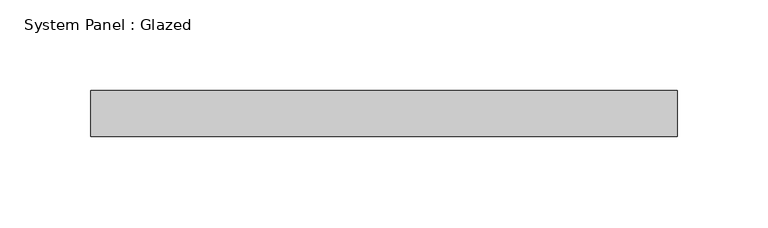
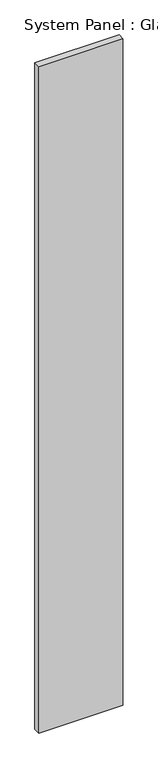
"""IFC4 building model written with IfcOpenShell, lengths in millimetres: plate geometry, System Panel : Glazed."""

from ifc_helpers import new_model, si_unit, origin, origin_with_axes, place, context, project, spatial, polyline, outline, extrude, source, transform, mapped, element, save


def system_panel_glazed_54737079(model_context):
    return source(origin(), model_context, "Body", "SweptSolid", [
        extrude(outline(polyline([(161.925, 19.05), (-161.925, 19.05), (-161.925, 44.45), (161.925, 44.45), (161.925, 19.05)])), origin_with_axes(), (0.0, 0.0, 1.0), 2711.45),
    ])


if __name__ == "__main__":
    model = new_model("IFC4")
    model_context = context("Model", 3, world=origin())
    ifc_project = project(units=[si_unit("LENGTHUNIT", "METRE", prefix="MILLI")], contexts=[model_context])
    site = spatial("IfcSite", under=ifc_project)
    building = spatial("IfcBuilding", under=site)
    placement = place(None, origin())
    system_panel_glazed_shape = system_panel_glazed_54737079(model_context)
    element("IfcPlate", 1, ObjectType="System Panel : Glazed", at=placement, inside=building, context=model_context, shape_type="MappedRepresentation", body=[
        mapped(system_panel_glazed_shape, transform((0.0, 0.0, 0.0), x_axis=(1.0, 0.0, 0.0), y_axis=(0.0, 1.0, 0.0), z_axis=(0.0, 0.0, 1.0))),
    ])
    save(model, "model.ifc")
